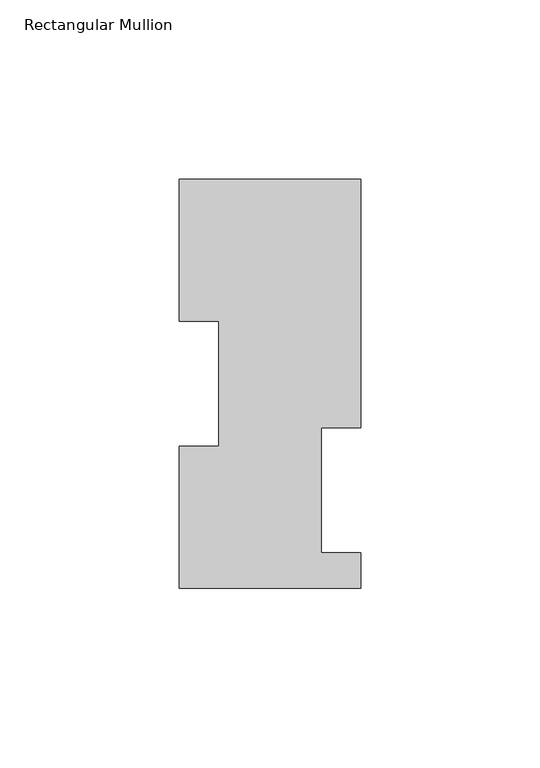
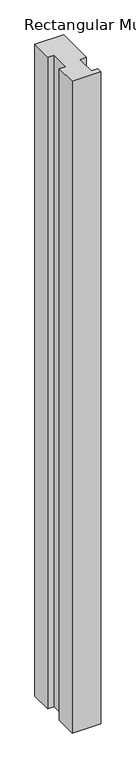
"""IFC4 building model written with IfcOpenShell, lengths in millimetres: member geometry, Rectangular Mullion."""

from ifc_helpers import new_model, si_unit, frame, origin, place, context, project, spatial, polyline, outline, extrude, source, transform, mapped, element, save


def rectangular_mullion_3a88091a(model_context):
    return source(origin(), model_context, "Body", "SweptSolid", [
        extrude(outline(polyline([(-25.4, 114.0729875), (25.4, 114.0729875), (25.4, 44.6039875), (14.2875, 44.6039875), (14.2875, 9.6789875), (25.4, 9.6789875), (25.4, -0.2270125), (-25.4, -0.2270125), (-25.4, 39.4477875), (-14.2875, 39.4477875), (-14.2875, 74.3981875), (-25.4, 74.3981875), (-25.4, 114.0729875)])), frame((0.0, 0.0, -1219.2), z_axis=(0.0, 0.0, 1.0), x_axis=(1.0, 0.0, 0.0)), (0.0, 0.0, 1.0), 1219.2),
    ])


if __name__ == "__main__":
    model = new_model("IFC4")
    model_context = context("Model", 3, world=origin())
    ifc_project = project(units=[si_unit("LENGTHUNIT", "METRE", prefix="MILLI")], contexts=[model_context])
    site = spatial("IfcSite", under=ifc_project)
    building = spatial("IfcBuilding", under=site)
    placement = place(None, origin())
    rectangular_mullion_shape = rectangular_mullion_3a88091a(model_context)
    element("IfcMember", 1, ObjectType="Rectangular Mullion", at=placement, inside=building, context=model_context, shape_type="MappedRepresentation", body=[
        mapped(rectangular_mullion_shape, transform((0.0, 0.0, 0.0), x_axis=(1.0, 0.0, 0.0), y_axis=(0.0, 1.0, 0.0), z_axis=(0.0, 0.0, 1.0))),
    ])
    save(model, "model.ifc")
